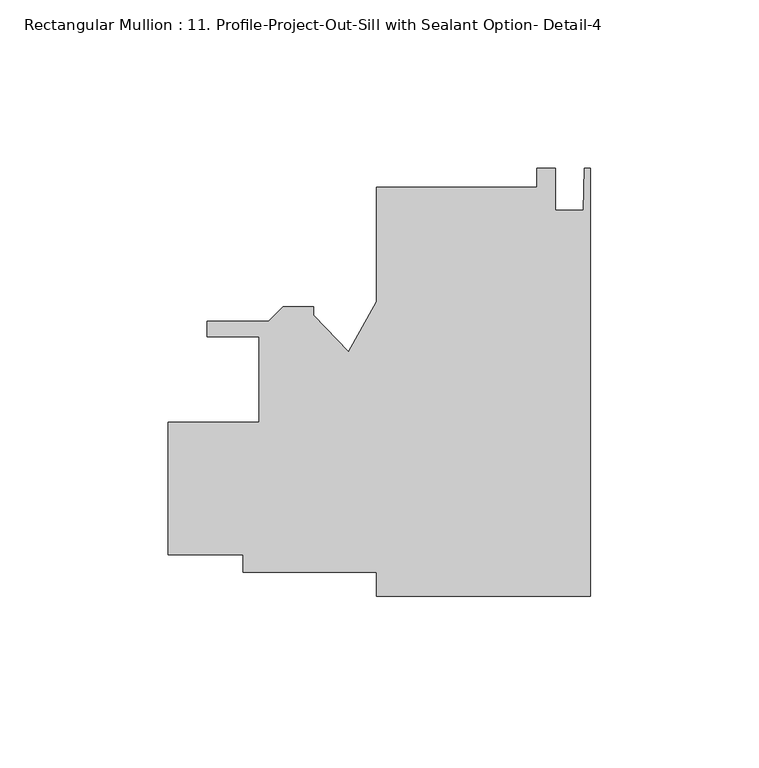
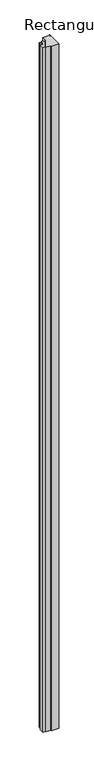
"""IFC4 building model written with IfcOpenShell, lengths in millimetres: member geometry, Rectangular Mullion : 11. Profile-Project-Out-Sill with Sealant Option- Detail-4."""

from ifc_helpers import new_model, si_unit, frame, origin, place, context, project, spatial, polyline, outline, extrude, source, transform, mapped, element, save


def rectangular_mullion_11_profile_project_out_sill_with_sealant_bc345398(model_context):
    return source(origin(), model_context, "Body", "SweptSolid", [
        extrude(outline(polyline([(0.0, 62.7381602), (0.0, -64.2618398), (-63.5, -64.2618398), (-63.5, -57.1307898), (-103.1874887, -57.1307898), (-103.1874887, -52.0508105), (-125.4124886, -52.0508105), (-125.4124886, -12.6808106), (-98.4249887, -12.6808106), (-98.4249887, 12.7191894), (-113.9261383, 12.7191894), (-113.9261383, 17.4181895), (-95.5436305, 17.4181895), (-91.2764305, 21.6853895), (-82.1761383, 21.6853895), (-82.1761383, 19.1453897), (-71.8458535, 8.2985907), (-63.5, 23.2093631), (-63.5, 57.1755602), (-15.875, 57.1755602), (-15.875, 62.7622287), (-10.3124, 62.7622287), (-10.3124, 50.3937602), (-2.032, 50.3937602), (-1.778, 62.7381602), (0.0, 62.7381602)])), frame((0.0, 0.0, -6019.8), z_axis=(0.0, 0.0, 1.0), x_axis=(1.0, 0.0, 0.0)), (0.0, 0.0, 1.0), 6019.8),
    ])


if __name__ == "__main__":
    model = new_model("IFC4")
    model_context = context("Model", 3, world=origin())
    ifc_project = project(units=[si_unit("LENGTHUNIT", "METRE", prefix="MILLI")], contexts=[model_context])
    site = spatial("IfcSite", under=ifc_project)
    building = spatial("IfcBuilding", under=site)
    placement = place(None, origin())
    rectangular_mullion_11_profile_project_out_sill_with_sealant_shape = rectangular_mullion_11_profile_project_out_sill_with_sealant_bc345398(model_context)
    element("IfcMember", 1, ObjectType="Rectangular Mullion : 11. Profile-Project-Out-Sill with Sealant Option- Detail-4", at=placement, inside=building, context=model_context, shape_type="MappedRepresentation", body=[
        mapped(rectangular_mullion_11_profile_project_out_sill_with_sealant_shape, transform((0.0, 0.0, 0.0), x_axis=(1.0, 0.0, 0.0), y_axis=(0.0, 1.0, 0.0), z_axis=(0.0, 0.0, 1.0))),
    ])
    save(model, "model.ifc")
